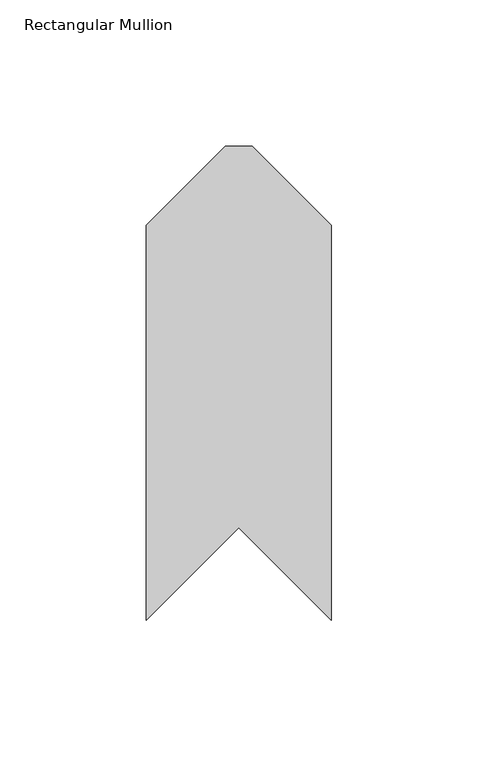
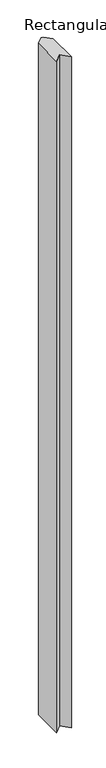
"""IFC4 building model written with IfcOpenShell, lengths in millimetres: member geometry, Rectangular Mullion."""

import ifcopenshell
import ifcopenshell.guid

model = None  # the IFC model being written
_history = None  # IfcOwnerHistory: only IFC2X3 demands one
_inside = {}  # id of a spatial element -> (the spatial element, [elements in it])
_under = {}  # id of a project, library or spatial element -> (it, [spatial elements below it])
_declared = {}  # id of a project -> (the project, [libraries it declares])
_typed = {}  # id of a type object -> (the type object, [elements of that type])
_made_of = {}  # id of a material, layer set ... -> (it, [elements and type objects made of it])


def new_model(schema):
    """Start an empty IFC model of exactly this schema.

    Asked for "IFC4X3", IfcOpenShell would pick the latest addendum, in which some entities
    have other attributes; the version numbers below select the first issue.
    IFC2X3 requires an IfcOwnerHistory on every rooted entity: one is made here for all.
    """
    global model, _history
    if schema == "IFC4X3":
        model = ifcopenshell.file(schema_version=(4, 3, 0, 0))
    else:
        model = ifcopenshell.file(schema=schema)
    _inside.clear()
    _under.clear()
    _declared.clear()
    _typed.clear()
    _made_of.clear()
    _history = None
    if model.schema == "IFC2X3":
        org = make("IfcOrganization", Name="unknown")
        user = make(
            "IfcPersonAndOrganization",
            ThePerson=make("IfcPerson", FamilyName="unknown"),
            TheOrganization=org,
        )
        app = make(
            "IfcApplication",
            ApplicationDeveloper=org,
            Version="unknown",
            ApplicationFullName="unknown",
            ApplicationIdentifier="unknown",
        )
        _history = make(
            "IfcOwnerHistory",
            OwningUser=user,
            OwningApplication=app,
            ChangeAction="ADDED",
            CreationDate=0,
        )
    return model


def make(cls, **values):
    """One entity of the class cls with the attributes given. An attribute that is None is left unset."""
    return model.create_entity(
        cls, **{name: value for name, value in values.items() if value is not None}
    )


def rooted(cls, **values):
    """An entity with a GlobalId (a new one), such as an element, a storey or a relation."""
    return make(cls, GlobalId=ifcopenshell.guid.new(), OwnerHistory=_history, **values)


def si_unit(unit_type, name, prefix=None):
    """IfcSIUnit, for example si_unit("LENGTHUNIT", "METRE", prefix="MILLI")."""
    return make("IfcSIUnit", UnitType=unit_type, Prefix=prefix, Name=name)


def assignment(units):
    """IfcUnitAssignment: the units of a project."""
    return None if units is None else make("IfcUnitAssignment", Units=units)


def point(xyz):
    """IfcCartesianPoint."""
    return None if xyz is None else make("IfcCartesianPoint", Coordinates=xyz)


def direction(xyz):
    """IfcDirection."""
    return None if xyz is None else make("IfcDirection", DirectionRatios=xyz)


def frame(location, z_axis=None, x_axis=None):
    """IfcAxis2Placement3D, a coordinate frame: its origin and axes. An axis left out is left unset."""
    return make(
        "IfcAxis2Placement3D",
        Location=point(location),
        Axis=direction(z_axis),
        RefDirection=direction(x_axis),
    )


def origin():
    """The frame at (0, 0, 0) with its axes left unset."""
    return frame((0.0, 0.0, 0.0))


def place(relative_to, where):
    """IfcLocalPlacement: puts the frame where relative to a parent placement (None: the world)."""
    return make(
        "IfcLocalPlacement", PlacementRelTo=relative_to, RelativePlacement=where
    )


def context(
    kind, dimensions, precision=None, world=None, true_north=None, identifier=None
):
    """IfcGeometricRepresentationContext, for example the 3D "Model" context."""
    return make(
        "IfcGeometricRepresentationContext",
        ContextIdentifier=identifier,
        ContextType=kind,
        CoordinateSpaceDimension=dimensions,
        Precision=precision,
        WorldCoordinateSystem=world,
        TrueNorth=true_north,
    )


def project(units=None, contexts=None):
    """IfcProject with its units and contexts."""
    return rooted(
        "IfcProject",
        Name="project",
        RepresentationContexts=contexts,
        UnitsInContext=assignment(units),
    )


def spatial(cls, under=None, at=None, **own):
    """A site, building, storey or space (cls), placed at a placement, below another one or the project."""
    s = rooted(cls, ObjectPlacement=at, **own)
    if under is not None:
        _under.setdefault(under.id(), (under, []))[1].append(s)
    return s


def polyline(points):
    """IfcPolyline through the points."""
    return make("IfcPolyline", Points=[point(p) for p in points])


def outline(outer, holes=None, kind="AREA"):
    """IfcArbitraryClosedProfileDef: a profile drawn as a closed curve; with holes, ...WithVoids."""
    if holes is None:
        return make("IfcArbitraryClosedProfileDef", ProfileType=kind, OuterCurve=outer)
    return make(
        "IfcArbitraryProfileDefWithVoids",
        ProfileType=kind,
        OuterCurve=outer,
        InnerCurves=holes,
    )


def extrude(swept, where, along, depth):
    """IfcExtrudedAreaSolid: the profile swept, set in the frame where, extruded along a direction by depth."""
    return make(
        "IfcExtrudedAreaSolid",
        SweptArea=swept,
        Position=where,
        ExtrudedDirection=direction(along),
        Depth=depth,
    )


def shape(context_of_items, identifier, shape_type, items):
    """IfcShapeRepresentation: the items that make up one representation, for example the "Body"."""
    return make(
        "IfcShapeRepresentation",
        ContextOfItems=context_of_items,
        RepresentationIdentifier=identifier,
        RepresentationType=shape_type,
        Items=items,
    )


def source(mapping_origin, context_of_items, identifier, shape_type, items):
    """IfcRepresentationMap: a shape defined once, which mapped items show again and again."""
    return make(
        "IfcRepresentationMap",
        MappingOrigin=mapping_origin,
        MappedRepresentation=shape(context_of_items, identifier, shape_type, items),
    )


def transform(
    local_origin,
    x_axis=None,
    y_axis=None,
    z_axis=None,
    scale=None,
    scale2=None,
    scale3=None,
    uniform=True,
):
    """IfcCartesianTransformationOperator3D, or its non-uniform kind. x_axis, y_axis, z_axis: its Axis1, 2, 3."""
    if uniform:
        return make(
            "IfcCartesianTransformationOperator3D",
            Axis1=direction(x_axis),
            Axis2=direction(y_axis),
            LocalOrigin=point(local_origin),
            Scale=scale,
            Axis3=direction(z_axis),
        )
    return make(
        "IfcCartesianTransformationOperator3DnonUniform",
        Axis1=direction(x_axis),
        Axis2=direction(y_axis),
        LocalOrigin=point(local_origin),
        Scale=scale,
        Axis3=direction(z_axis),
        Scale2=scale2,
        Scale3=scale3,
    )


def mapped(mapping_source, mapping_target):
    """IfcMappedItem: shows the shape of a source again, moved by a transform."""
    return make(
        "IfcMappedItem", MappingSource=mapping_source, MappingTarget=mapping_target
    )


def made_of(thing, what):
    """Note that an element or type object is made of a material, layer set ...; save() writes the relation."""
    if what is not None:
        _made_of.setdefault(what.id(), (what, []))[1].append(thing)
    return thing


def element(
    cls,
    number,
    at=None,
    inside=None,
    cuts=None,
    type_object=None,
    material=None,
    context=None,
    identifier="Body",
    shape_type=None,
    held_by="IfcProductDefinitionShape",
    body=None,
    shapes=None,
    **own,
):
    """One element of the class cls, such as IfcWall. Its Tag is "e" and its number.

    at: its placement. inside: the storey or other place that contains it. cuts: it is an
    opening in that element (IfcRelVoidsElement). A single representation is given by context,
    identifier, shape_type and body (its items); several are given by shapes. held_by: the class
    of the entity that holds the representations. save() writes the other relations.
    """
    e = rooted(cls, Tag="e%d" % number, ObjectPlacement=at, **own)
    if body is not None:
        shapes = [shape(context, identifier, shape_type, body)]
    if shapes is not None:
        e.Representation = make(held_by, Representations=shapes)
    if inside is not None:
        _inside.setdefault(inside.id(), (inside, []))[1].append(e)
    if cuts is not None:
        rooted(
            "IfcRelVoidsElement", RelatingBuildingElement=cuts, RelatedOpeningElement=e
        )
    if type_object is not None:
        _typed.setdefault(type_object.id(), (type_object, []))[1].append(e)
    return made_of(e, material)


def aggregate(whole, parts):
    """IfcRelAggregates: a whole, such as a stair, and the parts it consists of."""
    return rooted("IfcRelAggregates", RelatingObject=whole, RelatedObjects=parts)


def save(model, path):
    """Write the relations noted so far, then the file.

    IfcRelAggregates (storeys below a building ...), IfcRelContainedInSpatialStructure (elements
    in a storey), IfcRelDefinesByType, IfcRelAssociatesMaterial and IfcRelDeclares: one each for
    every whole, place, type object, material and project.
    """
    for whole, parts in _under.values():
        aggregate(whole, parts)
    for where, things in _inside.values():
        rooted(
            "IfcRelContainedInSpatialStructure",
            RelatedElements=things,
            RelatingStructure=where,
        )
    for kind, things in _typed.values():
        rooted("IfcRelDefinesByType", RelatedObjects=things, RelatingType=kind)
    for what, things in _made_of.values():
        rooted("IfcRelAssociatesMaterial", RelatedObjects=things, RelatingMaterial=what)
    for by, libraries in _declared.values():
        rooted("IfcRelDeclares", RelatingContext=by, RelatedDefinitions=libraries)
    model.write(path)


def rectangular_mullion_fc8fb704(model_context):
    return source(origin(), model_context, "Body", "SweptSolid", [
        extrude(outline(polyline([(-27.178, -38.2479605), (0.0, -65.4259605), (0.0, -200.6686176), (-31.75, -168.9186176), (-63.5, -200.6686176), (-63.5, -65.4259605), (-36.322, -38.2479605), (-27.178, -38.2479605)])), frame((0.0, 0.0, -3048.0), z_axis=(0.0, 0.0, 1.0), x_axis=(1.0, 0.0, 0.0)), (0.0, 0.0, 1.0), 3048.0),
    ])


if __name__ == "__main__":
    model = new_model("IFC4")
    model_context = context("Model", 3, world=origin())
    ifc_project = project(units=[si_unit("LENGTHUNIT", "METRE", prefix="MILLI")], contexts=[model_context])
    site = spatial("IfcSite", under=ifc_project)
    building = spatial("IfcBuilding", under=site)
    placement = place(None, origin())
    rectangular_mullion_shape = rectangular_mullion_fc8fb704(model_context)
    element("IfcMember", 1, ObjectType="Rectangular Mullion", at=placement, inside=building, context=model_context, shape_type="MappedRepresentation", body=[
        mapped(rectangular_mullion_shape, transform((0.0, 0.0, 0.0), x_axis=(1.0, 0.0, 0.0), y_axis=(0.0, 1.0, 0.0), z_axis=(0.0, 0.0, 1.0))),
    ])
    save(model, "model.ifc")
